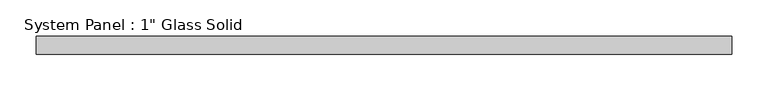
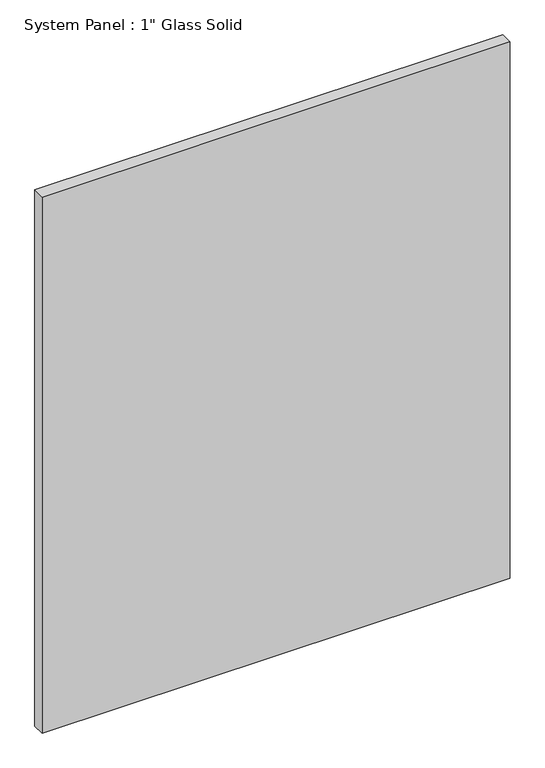
"""IFC4 building model written with IfcOpenShell, lengths in millimetres: plate geometry."""

from ifc_helpers import new_model, si_unit, origin, origin_with_axes, place, context, project, spatial, polyline, outline, extrude, source, transform, mapped, element, save


def plate_2ee2d613(model_context):
    return source(origin(), model_context, "Body", "SweptSolid", [
        extrude(outline(polyline([(482.6008852, -12.7), (-482.6008852, -12.7), (-482.6008852, 12.7), (482.6008852, 12.7), (482.6008852, -12.7)])), origin_with_axes(), (0.0, 0.0, 1.0), 1168.4017704),
    ])


if __name__ == "__main__":
    model = new_model("IFC4")
    model_context = context("Model", 3, world=origin())
    ifc_project = project(units=[si_unit("LENGTHUNIT", "METRE", prefix="MILLI")], contexts=[model_context])
    site = spatial("IfcSite", under=ifc_project)
    building = spatial("IfcBuilding", under=site)
    placement = place(None, origin())
    plate_shape = plate_2ee2d613(model_context)
    element("IfcPlate", 1, ObjectType="System Panel : 1\" Glass Solid", at=placement, inside=building, context=model_context, shape_type="MappedRepresentation", body=[
        mapped(plate_shape, transform((0.0, 0.0, 0.0), x_axis=(1.0, 0.0, 0.0), y_axis=(0.0, 1.0, 0.0), z_axis=(0.0, 0.0, 1.0))),
    ])
    save(model, "model.ifc")
